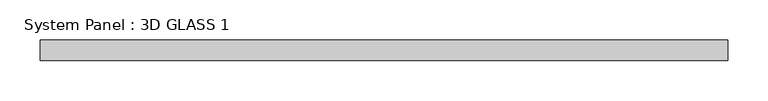
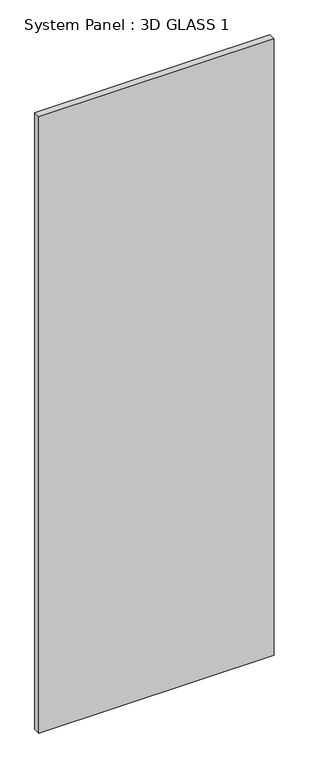
"""IFC4 building model written with IfcOpenShell, lengths in millimetres: plate geometry, System Panel : 3D GLASS 1."""

import ifcopenshell
import ifcopenshell.guid

model = None  # the IFC model being written
_history = None  # IfcOwnerHistory: only IFC2X3 demands one
_inside = {}  # id of a spatial element -> (the spatial element, [elements in it])
_under = {}  # id of a project, library or spatial element -> (it, [spatial elements below it])
_declared = {}  # id of a project -> (the project, [libraries it declares])
_typed = {}  # id of a type object -> (the type object, [elements of that type])
_made_of = {}  # id of a material, layer set ... -> (it, [elements and type objects made of it])


def new_model(schema):
    """Start an empty IFC model of exactly this schema.

    Asked for "IFC4X3", IfcOpenShell would pick the latest addendum, in which some entities
    have other attributes; the version numbers below select the first issue.
    IFC2X3 requires an IfcOwnerHistory on every rooted entity: one is made here for all.
    """
    global model, _history
    if schema == "IFC4X3":
        model = ifcopenshell.file(schema_version=(4, 3, 0, 0))
    else:
        model = ifcopenshell.file(schema=schema)
    _inside.clear()
    _under.clear()
    _declared.clear()
    _typed.clear()
    _made_of.clear()
    _history = None
    if model.schema == "IFC2X3":
        org = make("IfcOrganization", Name="unknown")
        user = make(
            "IfcPersonAndOrganization",
            ThePerson=make("IfcPerson", FamilyName="unknown"),
            TheOrganization=org,
        )
        app = make(
            "IfcApplication",
            ApplicationDeveloper=org,
            Version="unknown",
            ApplicationFullName="unknown",
            ApplicationIdentifier="unknown",
        )
        _history = make(
            "IfcOwnerHistory",
            OwningUser=user,
            OwningApplication=app,
            ChangeAction="ADDED",
            CreationDate=0,
        )
    return model


def make(cls, **values):
    """One entity of the class cls with the attributes given. An attribute that is None is left unset."""
    return model.create_entity(
        cls, **{name: value for name, value in values.items() if value is not None}
    )


def rooted(cls, **values):
    """An entity with a GlobalId (a new one), such as an element, a storey or a relation."""
    return make(cls, GlobalId=ifcopenshell.guid.new(), OwnerHistory=_history, **values)


def si_unit(unit_type, name, prefix=None):
    """IfcSIUnit, for example si_unit("LENGTHUNIT", "METRE", prefix="MILLI")."""
    return make("IfcSIUnit", UnitType=unit_type, Prefix=prefix, Name=name)


def assignment(units):
    """IfcUnitAssignment: the units of a project."""
    return None if units is None else make("IfcUnitAssignment", Units=units)


def point(xyz):
    """IfcCartesianPoint."""
    return None if xyz is None else make("IfcCartesianPoint", Coordinates=xyz)


def direction(xyz):
    """IfcDirection."""
    return None if xyz is None else make("IfcDirection", DirectionRatios=xyz)


def frame(location, z_axis=None, x_axis=None):
    """IfcAxis2Placement3D, a coordinate frame: its origin and axes. An axis left out is left unset."""
    return make(
        "IfcAxis2Placement3D",
        Location=point(location),
        Axis=direction(z_axis),
        RefDirection=direction(x_axis),
    )


def origin():
    """The frame at (0, 0, 0) with its axes left unset."""
    return frame((0.0, 0.0, 0.0))


def origin_with_axes():
    """The frame at (0, 0, 0) with the z axis (0, 0, 1) and the x axis (1, 0, 0) written out."""
    return frame((0.0, 0.0, 0.0), z_axis=(0.0, 0.0, 1.0), x_axis=(1.0, 0.0, 0.0))


def place(relative_to, where):
    """IfcLocalPlacement: puts the frame where relative to a parent placement (None: the world)."""
    return make(
        "IfcLocalPlacement", PlacementRelTo=relative_to, RelativePlacement=where
    )


def context(
    kind, dimensions, precision=None, world=None, true_north=None, identifier=None
):
    """IfcGeometricRepresentationContext, for example the 3D "Model" context."""
    return make(
        "IfcGeometricRepresentationContext",
        ContextIdentifier=identifier,
        ContextType=kind,
        CoordinateSpaceDimension=dimensions,
        Precision=precision,
        WorldCoordinateSystem=world,
        TrueNorth=true_north,
    )


def project(units=None, contexts=None):
    """IfcProject with its units and contexts."""
    return rooted(
        "IfcProject",
        Name="project",
        RepresentationContexts=contexts,
        UnitsInContext=assignment(units),
    )


def spatial(cls, under=None, at=None, **own):
    """A site, building, storey or space (cls), placed at a placement, below another one or the project."""
    s = rooted(cls, ObjectPlacement=at, **own)
    if under is not None:
        _under.setdefault(under.id(), (under, []))[1].append(s)
    return s


def polyline(points):
    """IfcPolyline through the points."""
    return make("IfcPolyline", Points=[point(p) for p in points])


def outline(outer, holes=None, kind="AREA"):
    """IfcArbitraryClosedProfileDef: a profile drawn as a closed curve; with holes, ...WithVoids."""
    if holes is None:
        return make("IfcArbitraryClosedProfileDef", ProfileType=kind, OuterCurve=outer)
    return make(
        "IfcArbitraryProfileDefWithVoids",
        ProfileType=kind,
        OuterCurve=outer,
        InnerCurves=holes,
    )


def extrude(swept, where, along, depth):
    """IfcExtrudedAreaSolid: the profile swept, set in the frame where, extruded along a direction by depth."""
    return make(
        "IfcExtrudedAreaSolid",
        SweptArea=swept,
        Position=where,
        ExtrudedDirection=direction(along),
        Depth=depth,
    )


def shape(context_of_items, identifier, shape_type, items):
    """IfcShapeRepresentation: the items that make up one representation, for example the "Body"."""
    return make(
        "IfcShapeRepresentation",
        ContextOfItems=context_of_items,
        RepresentationIdentifier=identifier,
        RepresentationType=shape_type,
        Items=items,
    )


def source(mapping_origin, context_of_items, identifier, shape_type, items):
    """IfcRepresentationMap: a shape defined once, which mapped items show again and again."""
    return make(
        "IfcRepresentationMap",
        MappingOrigin=mapping_origin,
        MappedRepresentation=shape(context_of_items, identifier, shape_type, items),
    )


def transform(
    local_origin,
    x_axis=None,
    y_axis=None,
    z_axis=None,
    scale=None,
    scale2=None,
    scale3=None,
    uniform=True,
):
    """IfcCartesianTransformationOperator3D, or its non-uniform kind. x_axis, y_axis, z_axis: its Axis1, 2, 3."""
    if uniform:
        return make(
            "IfcCartesianTransformationOperator3D",
            Axis1=direction(x_axis),
            Axis2=direction(y_axis),
            LocalOrigin=point(local_origin),
            Scale=scale,
            Axis3=direction(z_axis),
        )
    return make(
        "IfcCartesianTransformationOperator3DnonUniform",
        Axis1=direction(x_axis),
        Axis2=direction(y_axis),
        LocalOrigin=point(local_origin),
        Scale=scale,
        Axis3=direction(z_axis),
        Scale2=scale2,
        Scale3=scale3,
    )


def mapped(mapping_source, mapping_target):
    """IfcMappedItem: shows the shape of a source again, moved by a transform."""
    return make(
        "IfcMappedItem", MappingSource=mapping_source, MappingTarget=mapping_target
    )


def made_of(thing, what):
    """Note that an element or type object is made of a material, layer set ...; save() writes the relation."""
    if what is not None:
        _made_of.setdefault(what.id(), (what, []))[1].append(thing)
    return thing


def element(
    cls,
    number,
    at=None,
    inside=None,
    cuts=None,
    type_object=None,
    material=None,
    context=None,
    identifier="Body",
    shape_type=None,
    held_by="IfcProductDefinitionShape",
    body=None,
    shapes=None,
    **own,
):
    """One element of the class cls, such as IfcWall. Its Tag is "e" and its number.

    at: its placement. inside: the storey or other place that contains it. cuts: it is an
    opening in that element (IfcRelVoidsElement). A single representation is given by context,
    identifier, shape_type and body (its items); several are given by shapes. held_by: the class
    of the entity that holds the representations. save() writes the other relations.
    """
    e = rooted(cls, Tag="e%d" % number, ObjectPlacement=at, **own)
    if body is not None:
        shapes = [shape(context, identifier, shape_type, body)]
    if shapes is not None:
        e.Representation = make(held_by, Representations=shapes)
    if inside is not None:
        _inside.setdefault(inside.id(), (inside, []))[1].append(e)
    if cuts is not None:
        rooted(
            "IfcRelVoidsElement", RelatingBuildingElement=cuts, RelatedOpeningElement=e
        )
    if type_object is not None:
        _typed.setdefault(type_object.id(), (type_object, []))[1].append(e)
    return made_of(e, material)


def aggregate(whole, parts):
    """IfcRelAggregates: a whole, such as a stair, and the parts it consists of."""
    return rooted("IfcRelAggregates", RelatingObject=whole, RelatedObjects=parts)


def save(model, path):
    """Write the relations noted so far, then the file.

    IfcRelAggregates (storeys below a building ...), IfcRelContainedInSpatialStructure (elements
    in a storey), IfcRelDefinesByType, IfcRelAssociatesMaterial and IfcRelDeclares: one each for
    every whole, place, type object, material and project.
    """
    for whole, parts in _under.values():
        aggregate(whole, parts)
    for where, things in _inside.values():
        rooted(
            "IfcRelContainedInSpatialStructure",
            RelatedElements=things,
            RelatingStructure=where,
        )
    for kind, things in _typed.values():
        rooted("IfcRelDefinesByType", RelatedObjects=things, RelatingType=kind)
    for what, things in _made_of.values():
        rooted("IfcRelAssociatesMaterial", RelatedObjects=things, RelatingMaterial=what)
    for by, libraries in _declared.values():
        rooted("IfcRelDeclares", RelatingContext=by, RelatedDefinitions=libraries)
    model.write(path)


def system_panel_3d_glass_1_4388562f(model_context):
    return source(origin(), model_context, "Body", "SweptSolid", [
        extrude(outline(polyline([(428.228125, -12.7), (-428.228125, -12.7), (-428.228125, 12.7), (428.228125, 12.7), (428.228125, -12.7)])), origin_with_axes(), (0.0, 0.0, 1.0), 2369.3907666),
    ])


if __name__ == "__main__":
    model = new_model("IFC4")
    model_context = context("Model", 3, world=origin())
    ifc_project = project(units=[si_unit("LENGTHUNIT", "METRE", prefix="MILLI")], contexts=[model_context])
    site = spatial("IfcSite", under=ifc_project)
    building = spatial("IfcBuilding", under=site)
    placement = place(None, origin())
    system_panel_3d_glass_1_shape = system_panel_3d_glass_1_4388562f(model_context)
    element("IfcPlate", 1, ObjectType="System Panel : 3D GLASS 1", at=placement, inside=building, context=model_context, shape_type="MappedRepresentation", body=[
        mapped(system_panel_3d_glass_1_shape, transform((0.0, 0.0, 0.0), x_axis=(1.0, 0.0, 0.0), y_axis=(0.0, 1.0, 0.0), z_axis=(0.0, 0.0, 1.0))),
    ])
    save(model, "model.ifc")
